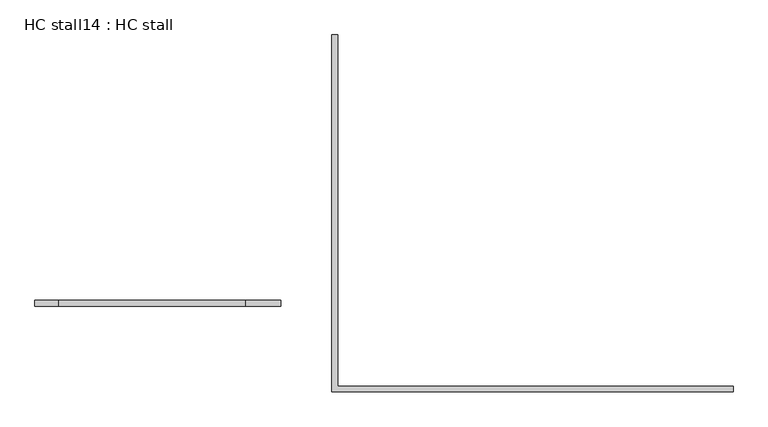
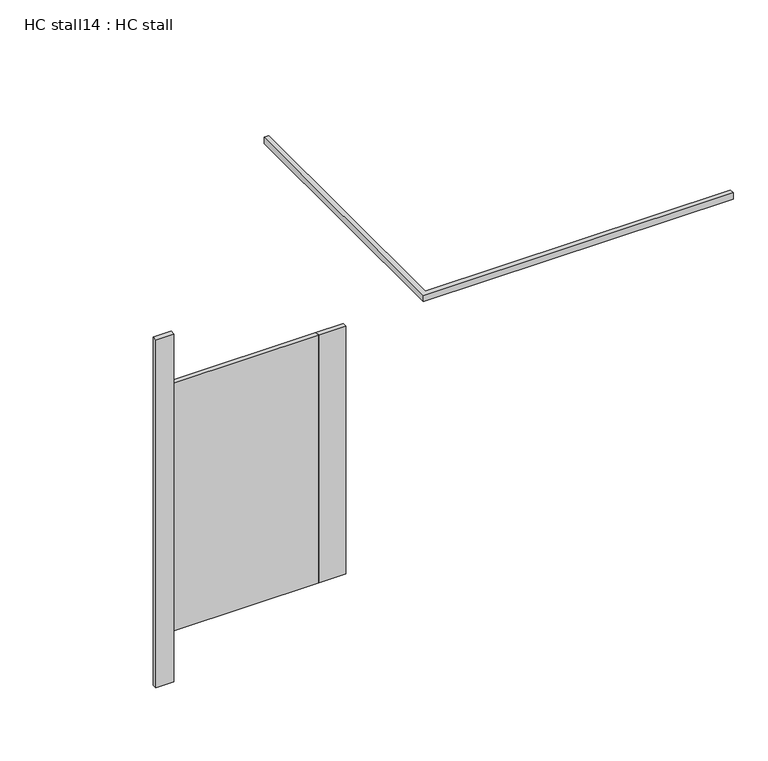
"""IFC4 building model written with IfcOpenShell, lengths in millimetres: proxy geometry, HC stall14 : HC stall."""

from ifc_helpers import new_model, si_unit, frame, origin, origin_with_axes, place, context, project, spatial, polyline, outline, extrude, source, transform, mapped, element, save


def hc_stall14_hc_stall_f7a1d772(model_context):
    return source(origin(), model_context, "Body", "SweptSolid", [
        extrude(outline(polyline([(285033.7686022, -528712.9205223), (284881.3686022, -528712.9205223), (284881.3686022, -528687.5205223), (285033.7686022, -528687.5205223), (285033.7686022, -528712.9205223)])), frame((0.0, 0.0, 304.8), z_axis=(0.0, 0.0, 1.0), x_axis=(1.0, 0.0, 0.0)), (0.0, 0.0, 1.0), 1473.2),
        extrude(outline(polyline([(284068.5686022, -528687.5205223), (284068.5686022, -528712.9205223), (283966.9686022, -528712.9205223), (283966.9686022, -528687.5205223), (284068.5686022, -528687.5205223)])), origin_with_axes(), (0.0, 0.0, 1.0), 2070.1),
        extrude(outline(polyline([(285281.4186022, -529058.9955223), (286997.5061022, -529058.9955223), (286997.5061022, -529084.3955223), (285256.0186022, -529084.3955223), (285256.0186022, -527534.9955223), (285281.4186022, -527534.9955223), (285281.4186022, -529058.9955223)])), frame((0.0, 0.0, 2070.1), z_axis=(0.0, 0.0, 1.0), x_axis=(1.0, 0.0, 0.0)), (0.0, 0.0, 1.0), 38.1),
        extrude(outline(polyline([(284881.3686022, -528687.5205223), (284881.3686022, -528712.9205223), (284068.5686022, -528712.9205223), (284068.5686022, -528687.5205223), (284881.3686022, -528687.5205223)])), frame((0.0, 0.0, 304.8), z_axis=(0.0, 0.0, 1.0), x_axis=(1.0, 0.0, 0.0)), (0.0, 0.0, 1.0), 1473.2),
    ])


if __name__ == "__main__":
    model = new_model("IFC4")
    model_context = context("Model", 3, world=origin())
    ifc_project = project(units=[si_unit("LENGTHUNIT", "METRE", prefix="MILLI")], contexts=[model_context])
    site = spatial("IfcSite", under=ifc_project)
    building = spatial("IfcBuilding", under=site)
    placement = place(None, origin())
    hc_stall14_hc_stall_shape = hc_stall14_hc_stall_f7a1d772(model_context)
    element("IfcBuildingElementProxy", 1, Name="HC stall14 : HC stall", ObjectType="HC stall14 : HC stall", at=placement, inside=building, context=model_context, shape_type="MappedRepresentation", body=[
        mapped(hc_stall14_hc_stall_shape, transform((0.0, 0.0, 0.0), x_axis=(1.0, 0.0, 0.0), y_axis=(0.0, 1.0, 0.0), z_axis=(0.0, 0.0, 1.0))),
    ])
    save(model, "model.ifc")
